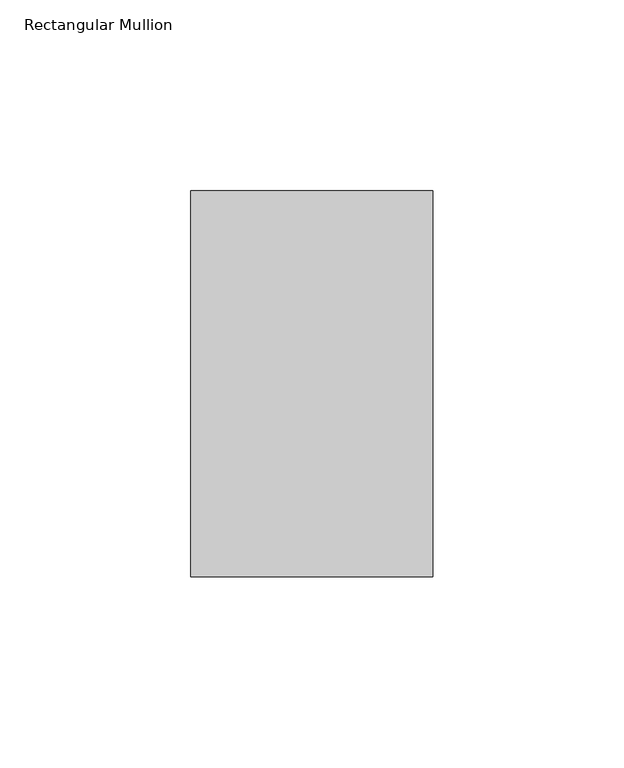
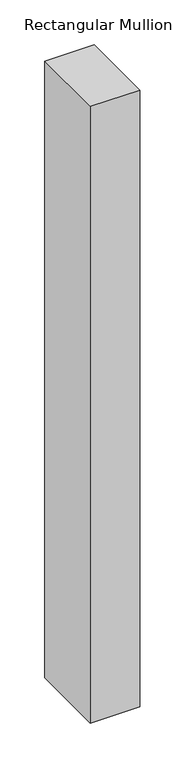
"""IFC4 building model written with IfcOpenShell, lengths in millimetres: member geometry, Rectangular Mullion."""

from ifc_helpers import new_model, si_unit, frame, origin, place, context, project, spatial, polyline, outline, extrude, source, transform, mapped, element, save


def rectangular_mullion_c18ab27d(model_context):
    return source(origin(), model_context, "Body", "SweptSolid", [
        extrude(outline(polyline([(31.75, 133.4396937), (31.75, 32.2460938), (-31.75, 32.2460938), (-31.75, 133.4396937), (31.75, 133.4396937)])), frame((0.0, 0.0, -838.2), z_axis=(0.0, 0.0, 1.0), x_axis=(1.0, 0.0, 0.0)), (0.0, 0.0, 1.0), 838.2),
    ])


if __name__ == "__main__":
    model = new_model("IFC4")
    model_context = context("Model", 3, world=origin())
    ifc_project = project(units=[si_unit("LENGTHUNIT", "METRE", prefix="MILLI")], contexts=[model_context])
    site = spatial("IfcSite", under=ifc_project)
    building = spatial("IfcBuilding", under=site)
    placement = place(None, origin())
    rectangular_mullion_shape = rectangular_mullion_c18ab27d(model_context)
    element("IfcMember", 1, ObjectType="Rectangular Mullion", at=placement, inside=building, context=model_context, shape_type="MappedRepresentation", body=[
        mapped(rectangular_mullion_shape, transform((0.0, 0.0, 0.0), x_axis=(1.0, 0.0, 0.0), y_axis=(0.0, 1.0, 0.0), z_axis=(0.0, 0.0, 1.0))),
    ])
    save(model, "model.ifc")
